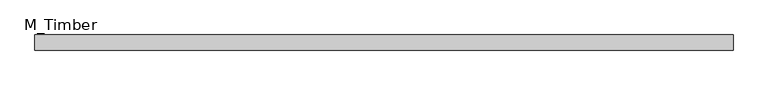
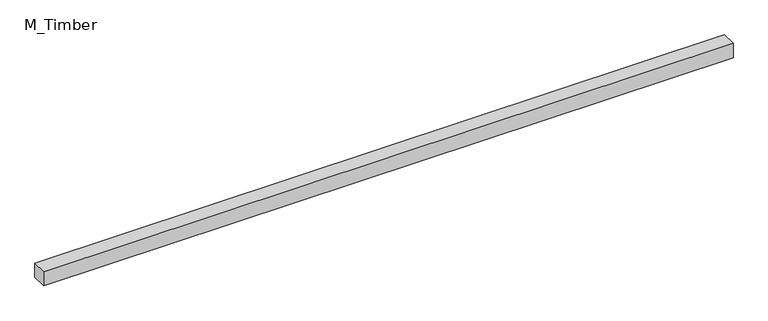
"""IFC4 building model written with IfcOpenShell, lengths in millimetres: beam geometry, M_Timber."""

from ifc_helpers import new_model, si_unit, frame, origin, place, context, project, spatial, polyline, outline, extrude, source, transform, mapped, element, save


def m_timber_72b739c3(model_context):
    return source(origin(), model_context, "Body", "SweptSolid", [
        extrude(outline(polyline([(922.1154216, 20.0), (922.1154216, -20.0), (-922.1154216, -20.0), (-922.1154216, 20.0), (922.1154216, 20.0)])), frame((0.0, 0.0, -20.0), z_axis=(0.0, 0.0, 1.0), x_axis=(1.0, 0.0, 0.0)), (0.0, 0.0, 1.0), 40.0),
    ])


if __name__ == "__main__":
    model = new_model("IFC4")
    model_context = context("Model", 3, world=origin())
    ifc_project = project(units=[si_unit("LENGTHUNIT", "METRE", prefix="MILLI")], contexts=[model_context])
    site = spatial("IfcSite", under=ifc_project)
    building = spatial("IfcBuilding", under=site)
    placement = place(None, origin())
    m_timber_shape = m_timber_72b739c3(model_context)
    element("IfcBeam", 1, ObjectType="M_Timber", at=placement, inside=building, context=model_context, shape_type="MappedRepresentation", body=[
        mapped(m_timber_shape, transform((0.0, 0.0, 0.0), x_axis=(1.0, 0.0, 0.0), y_axis=(0.0, 1.0, 0.0), z_axis=(0.0, 0.0, 1.0))),
    ])
    save(model, "model.ifc")
